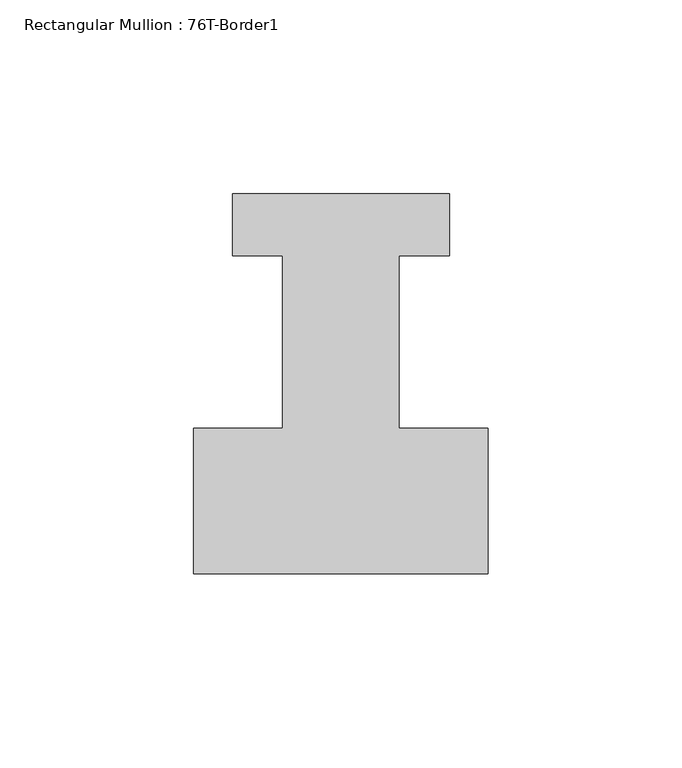
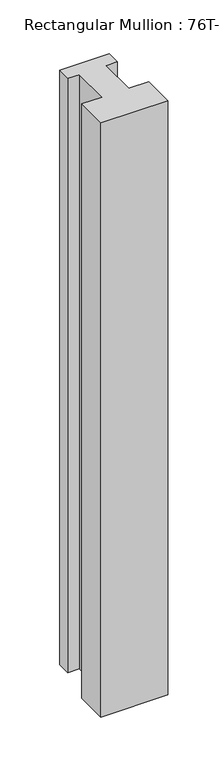
"""IFC4 building model written with IfcOpenShell, lengths in millimetres: member geometry, Rectangular Mullion : 76T-Border1."""

from ifc_helpers import new_model, si_unit, frame, origin, place, context, project, spatial, polyline, outline, extrude, source, transform, mapped, element, save


def rectangular_mullion_76t_border1_01dd47d1(model_context):
    return source(origin(), model_context, "Body", "SweptSolid", [
        extrude(outline(polyline([(-76.0, -38.0), (-76.0, -0.5), (-53.0, -0.5), (-53.0, 44.0), (-66.0, 44.0), (-66.0, 60.0), (-10.0, 60.0), (-10.0, 44.0), (-23.0, 44.0), (-23.0, -0.5), (0.0, -0.5), (0.0, -38.0), (-76.0, -38.0)])), frame((0.0, 0.0, -712.0), z_axis=(0.0, 0.0, 1.0), x_axis=(1.0, 0.0, 0.0)), (0.0, 0.0, 1.0), 712.0),
    ])


if __name__ == "__main__":
    model = new_model("IFC4")
    model_context = context("Model", 3, world=origin())
    ifc_project = project(units=[si_unit("LENGTHUNIT", "METRE", prefix="MILLI")], contexts=[model_context])
    site = spatial("IfcSite", under=ifc_project)
    building = spatial("IfcBuilding", under=site)
    placement = place(None, origin())
    rectangular_mullion_76t_border1_shape = rectangular_mullion_76t_border1_01dd47d1(model_context)
    element("IfcMember", 1, ObjectType="Rectangular Mullion : 76T-Border1", at=placement, inside=building, context=model_context, shape_type="MappedRepresentation", body=[
        mapped(rectangular_mullion_76t_border1_shape, transform((0.0, 0.0, 0.0), x_axis=(1.0, 0.0, 0.0), y_axis=(0.0, 1.0, 0.0), z_axis=(0.0, 0.0, 1.0))),
    ])
    save(model, "model.ifc")
